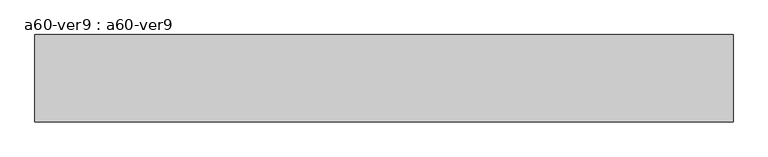
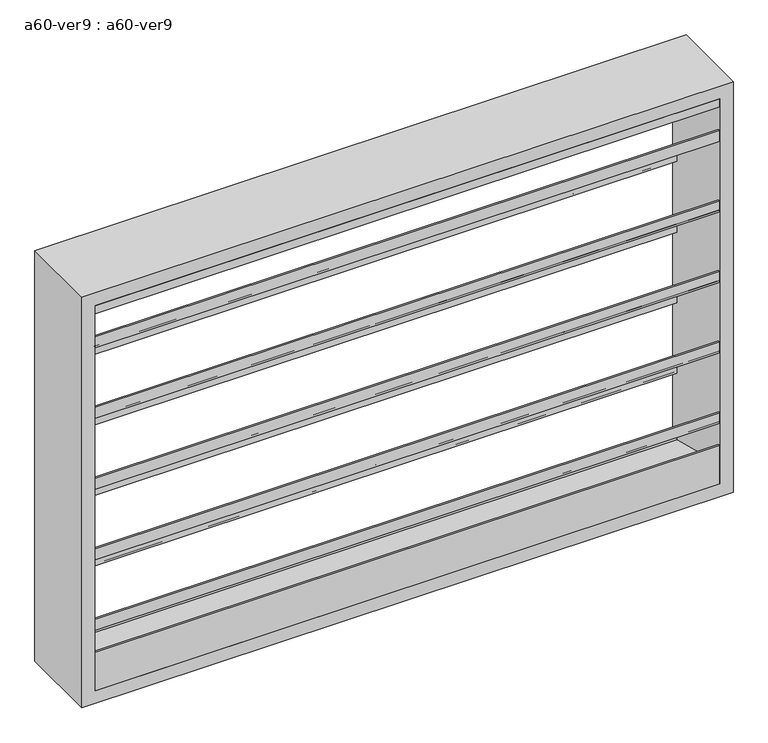
"""IFC4 building model written with IfcOpenShell, lengths in millimetres: proxy geometry, a60-ver9 : a60-ver9."""

import ifcopenshell
import ifcopenshell.guid

model = None  # the IFC model being written
_history = None  # IfcOwnerHistory: only IFC2X3 demands one
_inside = {}  # id of a spatial element -> (the spatial element, [elements in it])
_under = {}  # id of a project, library or spatial element -> (it, [spatial elements below it])
_declared = {}  # id of a project -> (the project, [libraries it declares])
_typed = {}  # id of a type object -> (the type object, [elements of that type])
_made_of = {}  # id of a material, layer set ... -> (it, [elements and type objects made of it])


def new_model(schema):
    """Start an empty IFC model of exactly this schema.

    Asked for "IFC4X3", IfcOpenShell would pick the latest addendum, in which some entities
    have other attributes; the version numbers below select the first issue.
    IFC2X3 requires an IfcOwnerHistory on every rooted entity: one is made here for all.
    """
    global model, _history
    if schema == "IFC4X3":
        model = ifcopenshell.file(schema_version=(4, 3, 0, 0))
    else:
        model = ifcopenshell.file(schema=schema)
    _inside.clear()
    _under.clear()
    _declared.clear()
    _typed.clear()
    _made_of.clear()
    _history = None
    if model.schema == "IFC2X3":
        org = make("IfcOrganization", Name="unknown")
        user = make(
            "IfcPersonAndOrganization",
            ThePerson=make("IfcPerson", FamilyName="unknown"),
            TheOrganization=org,
        )
        app = make(
            "IfcApplication",
            ApplicationDeveloper=org,
            Version="unknown",
            ApplicationFullName="unknown",
            ApplicationIdentifier="unknown",
        )
        _history = make(
            "IfcOwnerHistory",
            OwningUser=user,
            OwningApplication=app,
            ChangeAction="ADDED",
            CreationDate=0,
        )
    return model


def make(cls, **values):
    """One entity of the class cls with the attributes given. An attribute that is None is left unset."""
    return model.create_entity(
        cls, **{name: value for name, value in values.items() if value is not None}
    )


def rooted(cls, **values):
    """An entity with a GlobalId (a new one), such as an element, a storey or a relation."""
    return make(cls, GlobalId=ifcopenshell.guid.new(), OwnerHistory=_history, **values)


def si_unit(unit_type, name, prefix=None):
    """IfcSIUnit, for example si_unit("LENGTHUNIT", "METRE", prefix="MILLI")."""
    return make("IfcSIUnit", UnitType=unit_type, Prefix=prefix, Name=name)


def assignment(units):
    """IfcUnitAssignment: the units of a project."""
    return None if units is None else make("IfcUnitAssignment", Units=units)


def point(xyz):
    """IfcCartesianPoint."""
    return None if xyz is None else make("IfcCartesianPoint", Coordinates=xyz)


def direction(xyz):
    """IfcDirection."""
    return None if xyz is None else make("IfcDirection", DirectionRatios=xyz)


def frame(location, z_axis=None, x_axis=None):
    """IfcAxis2Placement3D, a coordinate frame: its origin and axes. An axis left out is left unset."""
    return make(
        "IfcAxis2Placement3D",
        Location=point(location),
        Axis=direction(z_axis),
        RefDirection=direction(x_axis),
    )


def origin():
    """The frame at (0, 0, 0) with its axes left unset."""
    return frame((0.0, 0.0, 0.0))


def place(relative_to, where):
    """IfcLocalPlacement: puts the frame where relative to a parent placement (None: the world)."""
    return make(
        "IfcLocalPlacement", PlacementRelTo=relative_to, RelativePlacement=where
    )


def context(
    kind, dimensions, precision=None, world=None, true_north=None, identifier=None
):
    """IfcGeometricRepresentationContext, for example the 3D "Model" context."""
    return make(
        "IfcGeometricRepresentationContext",
        ContextIdentifier=identifier,
        ContextType=kind,
        CoordinateSpaceDimension=dimensions,
        Precision=precision,
        WorldCoordinateSystem=world,
        TrueNorth=true_north,
    )


def project(units=None, contexts=None):
    """IfcProject with its units and contexts."""
    return rooted(
        "IfcProject",
        Name="project",
        RepresentationContexts=contexts,
        UnitsInContext=assignment(units),
    )


def spatial(cls, under=None, at=None, **own):
    """A site, building, storey or space (cls), placed at a placement, below another one or the project."""
    s = rooted(cls, ObjectPlacement=at, **own)
    if under is not None:
        _under.setdefault(under.id(), (under, []))[1].append(s)
    return s


def polyline(points):
    """IfcPolyline through the points."""
    return make("IfcPolyline", Points=[point(p) for p in points])


def outline(outer, holes=None, kind="AREA"):
    """IfcArbitraryClosedProfileDef: a profile drawn as a closed curve; with holes, ...WithVoids."""
    if holes is None:
        return make("IfcArbitraryClosedProfileDef", ProfileType=kind, OuterCurve=outer)
    return make(
        "IfcArbitraryProfileDefWithVoids",
        ProfileType=kind,
        OuterCurve=outer,
        InnerCurves=holes,
    )


def extrude(swept, where, along, depth):
    """IfcExtrudedAreaSolid: the profile swept, set in the frame where, extruded along a direction by depth."""
    return make(
        "IfcExtrudedAreaSolid",
        SweptArea=swept,
        Position=where,
        ExtrudedDirection=direction(along),
        Depth=depth,
    )


def shape(context_of_items, identifier, shape_type, items):
    """IfcShapeRepresentation: the items that make up one representation, for example the "Body"."""
    return make(
        "IfcShapeRepresentation",
        ContextOfItems=context_of_items,
        RepresentationIdentifier=identifier,
        RepresentationType=shape_type,
        Items=items,
    )


def source(mapping_origin, context_of_items, identifier, shape_type, items):
    """IfcRepresentationMap: a shape defined once, which mapped items show again and again."""
    return make(
        "IfcRepresentationMap",
        MappingOrigin=mapping_origin,
        MappedRepresentation=shape(context_of_items, identifier, shape_type, items),
    )


def transform(
    local_origin,
    x_axis=None,
    y_axis=None,
    z_axis=None,
    scale=None,
    scale2=None,
    scale3=None,
    uniform=True,
):
    """IfcCartesianTransformationOperator3D, or its non-uniform kind. x_axis, y_axis, z_axis: its Axis1, 2, 3."""
    if uniform:
        return make(
            "IfcCartesianTransformationOperator3D",
            Axis1=direction(x_axis),
            Axis2=direction(y_axis),
            LocalOrigin=point(local_origin),
            Scale=scale,
            Axis3=direction(z_axis),
        )
    return make(
        "IfcCartesianTransformationOperator3DnonUniform",
        Axis1=direction(x_axis),
        Axis2=direction(y_axis),
        LocalOrigin=point(local_origin),
        Scale=scale,
        Axis3=direction(z_axis),
        Scale2=scale2,
        Scale3=scale3,
    )


def mapped(mapping_source, mapping_target):
    """IfcMappedItem: shows the shape of a source again, moved by a transform."""
    return make(
        "IfcMappedItem", MappingSource=mapping_source, MappingTarget=mapping_target
    )


def made_of(thing, what):
    """Note that an element or type object is made of a material, layer set ...; save() writes the relation."""
    if what is not None:
        _made_of.setdefault(what.id(), (what, []))[1].append(thing)
    return thing


def element(
    cls,
    number,
    at=None,
    inside=None,
    cuts=None,
    type_object=None,
    material=None,
    context=None,
    identifier="Body",
    shape_type=None,
    held_by="IfcProductDefinitionShape",
    body=None,
    shapes=None,
    **own,
):
    """One element of the class cls, such as IfcWall. Its Tag is "e" and its number.

    at: its placement. inside: the storey or other place that contains it. cuts: it is an
    opening in that element (IfcRelVoidsElement). A single representation is given by context,
    identifier, shape_type and body (its items); several are given by shapes. held_by: the class
    of the entity that holds the representations. save() writes the other relations.
    """
    e = rooted(cls, Tag="e%d" % number, ObjectPlacement=at, **own)
    if body is not None:
        shapes = [shape(context, identifier, shape_type, body)]
    if shapes is not None:
        e.Representation = make(held_by, Representations=shapes)
    if inside is not None:
        _inside.setdefault(inside.id(), (inside, []))[1].append(e)
    if cuts is not None:
        rooted(
            "IfcRelVoidsElement", RelatingBuildingElement=cuts, RelatedOpeningElement=e
        )
    if type_object is not None:
        _typed.setdefault(type_object.id(), (type_object, []))[1].append(e)
    return made_of(e, material)


def aggregate(whole, parts):
    """IfcRelAggregates: a whole, such as a stair, and the parts it consists of."""
    return rooted("IfcRelAggregates", RelatingObject=whole, RelatedObjects=parts)


def save(model, path):
    """Write the relations noted so far, then the file.

    IfcRelAggregates (storeys below a building ...), IfcRelContainedInSpatialStructure (elements
    in a storey), IfcRelDefinesByType, IfcRelAssociatesMaterial and IfcRelDeclares: one each for
    every whole, place, type object, material and project.
    """
    for whole, parts in _under.values():
        aggregate(whole, parts)
    for where, things in _inside.values():
        rooted(
            "IfcRelContainedInSpatialStructure",
            RelatedElements=things,
            RelatingStructure=where,
        )
    for kind, things in _typed.values():
        rooted("IfcRelDefinesByType", RelatedObjects=things, RelatingType=kind)
    for what, things in _made_of.values():
        rooted("IfcRelAssociatesMaterial", RelatedObjects=things, RelatingMaterial=what)
    for by, libraries in _declared.values():
        rooted("IfcRelDeclares", RelatingContext=by, RelatedDefinitions=libraries)
    model.write(path)


def a60_ver9_a60_ver9_76904c9d(model_context):
    return source(origin(), model_context, "Body", "SweptSolid", [
        extrude(outline(polyline([(-73.025, 903.2657367), (-73.025, 883.09979), (65.3071116, 776.9538275), (65.3071116, 759.1154476), (73.025, 753.1933035), (73.025, 777.9079125), (76.2, 777.9079125), (76.2, 749.3), (72.883344, 749.3), (62.1321116, 757.5497108), (62.1321116, 775.3880908), (-76.2, 881.5340533), (-76.2, 903.2657367), (-73.025, 903.2657367)])), frame((-584.2, 0.0, 0.0), z_axis=(1.0, 0.0, 0.0), x_axis=(0.0, 1.0, 0.0)), (0.0, 0.0, 1.0), 1168.4),
        extrude(outline(polyline([(-73.025, 1042.9657367), (-73.025, 1022.79979), (65.3071116, 916.6538275), (65.3071116, 898.8154476), (73.025, 892.8933035), (73.025, 917.6079125), (76.2, 917.6079125), (76.2, 889.0), (72.883344, 889.0), (62.1321116, 897.2497108), (62.1321116, 915.0880908), (-76.2, 1021.2340533), (-76.2, 1042.9657367), (-73.025, 1042.9657367)])), frame((-584.2, 0.0, 0.0), z_axis=(1.0, 0.0, 0.0), x_axis=(0.0, 1.0, 0.0)), (0.0, 0.0, 1.0), 1168.4),
        extrude(outline(polyline([(-73.025, 1182.6657367), (-73.025, 1162.49979), (65.3071116, 1056.3538275), (65.3071116, 1038.5154476), (73.025, 1032.5933035), (73.025, 1057.3079125), (76.2, 1057.3079125), (76.2, 1028.7), (72.883344, 1028.7), (62.1321116, 1036.9497108), (62.1321116, 1054.7880908), (-76.2, 1160.9340533), (-76.2, 1182.6657367), (-73.025, 1182.6657367)])), frame((-584.2, 0.0, 0.0), z_axis=(1.0, 0.0, 0.0), x_axis=(0.0, 1.0, 0.0)), (0.0, 0.0, 1.0), 1168.4),
        extrude(outline(polyline([(-73.025, 1322.3657367), (-73.025, 1302.19979), (65.3071116, 1196.0538275), (65.3071116, 1178.2154476), (73.025, 1172.2933035), (73.025, 1197.0079125), (76.2, 1197.0079125), (76.2, 1168.4), (72.883344, 1168.4), (62.1321116, 1176.6497108), (62.1321116, 1194.4880908), (-76.2, 1300.6340533), (-76.2, 1322.3657367), (-73.025, 1322.3657367)])), frame((-584.2, 0.0, 0.0), z_axis=(1.0, 0.0, 0.0), x_axis=(0.0, 1.0, 0.0)), (0.0, 0.0, 1.0), 1168.4),
        extrude(outline(polyline([(-73.025, 1462.0657367), (-73.025, 1441.89979), (65.3071116, 1335.7538275), (65.3071116, 1317.9154476), (73.025, 1311.9933035), (73.025, 1336.7079125), (76.2, 1336.7079125), (76.2, 1308.1), (72.883344, 1308.1), (62.1321116, 1316.3497108), (62.1321116, 1334.1880908), (-76.2, 1440.3340533), (-76.2, 1462.0657367), (-73.025, 1462.0657367)])), frame((-584.2, 0.0, 0.0), z_axis=(1.0, 0.0, 0.0), x_axis=(0.0, 1.0, 0.0)), (0.0, 0.0, 1.0), 1168.4),
        extrude(outline(polyline([(0.0, 1508.125), (76.2, 1447.8), (71.0848317, 1447.8), (-5.1151683, 1508.125), (-76.2, 1508.125), (-76.2, 1524.0), (76.2, 1524.0), (0.0, 1508.125)])), frame((-584.2, 0.0, 0.0), z_axis=(1.0, 0.0, 0.0), x_axis=(0.0, 1.0, 0.0)), (0.0, 0.0, 1.0), 1168.4),
        extrude(outline(polyline([(76.2, 762.0), (-76.2, 762.0), (-76.2, 838.2), (-73.025, 838.2), (-73.025, 800.1), (76.2, 762.0)])), frame((-584.2, 0.0, 0.0), z_axis=(1.0, 0.0, 0.0), x_axis=(0.0, 1.0, 0.0)), (0.0, 0.0, 1.0), 1168.4),
        extrude(outline(polyline([(736.6, -609.6), (736.6, 609.6), (1549.4, 609.6), (1549.4, -609.6), (736.6, -609.6)]), holes=[polyline([(762.0, -584.2), (1524.0, -584.2), (1524.0, 584.2), (762.0, 584.2), (762.0, -584.2)])]), frame((0.0, -76.2, 0.0), z_axis=(0.0, 1.0, 0.0), x_axis=(0.0, 0.0, 1.0)), (0.0, 0.0, 1.0), 152.4),
    ])


if __name__ == "__main__":
    model = new_model("IFC4")
    model_context = context("Model", 3, world=origin())
    ifc_project = project(units=[si_unit("LENGTHUNIT", "METRE", prefix="MILLI")], contexts=[model_context])
    site = spatial("IfcSite", under=ifc_project)
    building = spatial("IfcBuilding", under=site)
    placement = place(None, origin())
    a60_ver9_a60_ver9_shape = a60_ver9_a60_ver9_76904c9d(model_context)
    element("IfcBuildingElementProxy", 1, Name="a60-ver9 : a60-ver9", ObjectType="a60-ver9 : a60-ver9", at=placement, inside=building, context=model_context, shape_type="MappedRepresentation", body=[
        mapped(a60_ver9_a60_ver9_shape, transform((0.0, 0.0, 0.0), x_axis=(1.0, 0.0, 0.0), y_axis=(0.0, 1.0, 0.0), z_axis=(0.0, 0.0, 1.0))),
    ])
    save(model, "model.ifc")
